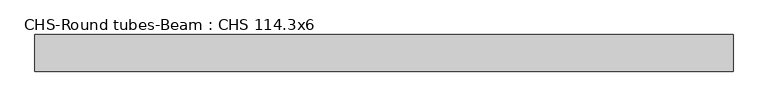
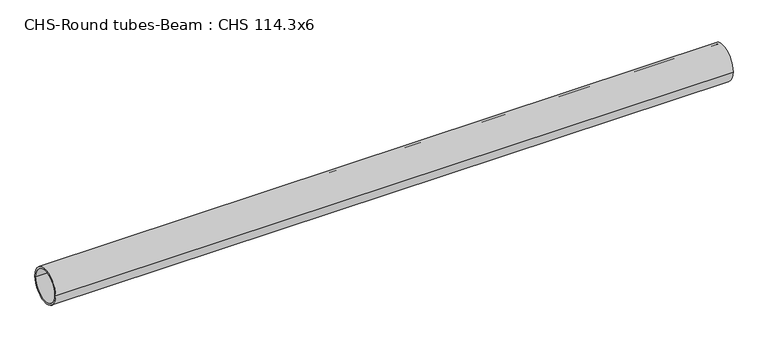
"""IFC4 building model written with IfcOpenShell, lengths in millimetres: beam geometry, CHS-Round tubes-Beam : CHS 114.3x6."""

from ifc_helpers import new_model, si_unit, point, frame, origin, origin_2d, place, context, project, spatial, circle_curve, trimmed, segment, composite_curve, outline, extrude, source, transform, mapped, element, save


def chs_round_tubes_beam_chs_114_3x6_157ab3cc(model_context):
    return source(origin(), model_context, "Body", "SweptSolid", [
        extrude(outline(composite_curve([segment(trimmed(circle_curve(origin_2d(), 57.15), [point((57.15, 0.0))], [point((-57.15, 0.0))], False, "CARTESIAN"), True, "CONTINUOUS"), segment(trimmed(circle_curve(origin_2d(), 57.15), [point((-57.15, 0.0))], [point((57.15, 0.0))], False, "CARTESIAN"), True, "CONTINUOUS")], self_intersect=False), holes=[composite_curve([segment(trimmed(circle_curve(origin_2d(), 51.15), [point((51.15, 0.0))], [point((-51.15, 0.0))], True, "CARTESIAN"), True, "CONTINUOUS"), segment(trimmed(circle_curve(origin_2d(), 51.15), [point((-51.15, 0.0))], [point((51.15, 0.0))], True, "CARTESIAN"), True, "CONTINUOUS")], self_intersect=False)]), frame((-1077.4712617, 0.0, 0.0), z_axis=(1.0, 0.0, 0.0), x_axis=(0.0, 1.0, 0.0)), (0.0, 0.0, 1.0), 2180.8297284),
    ])


if __name__ == "__main__":
    model = new_model("IFC4")
    model_context = context("Model", 3, world=origin())
    ifc_project = project(units=[si_unit("LENGTHUNIT", "METRE", prefix="MILLI")], contexts=[model_context])
    site = spatial("IfcSite", under=ifc_project)
    building = spatial("IfcBuilding", under=site)
    placement = place(None, origin())
    chs_round_tubes_beam_chs_114_3x6_shape = chs_round_tubes_beam_chs_114_3x6_157ab3cc(model_context)
    element("IfcBeam", 1, ObjectType="CHS-Round tubes-Beam : CHS 114.3x6", at=placement, inside=building, context=model_context, shape_type="MappedRepresentation", body=[
        mapped(chs_round_tubes_beam_chs_114_3x6_shape, transform((0.0, 0.0, 0.0), x_axis=(1.0, 0.0, 0.0), y_axis=(0.0, 1.0, 0.0), z_axis=(0.0, 0.0, 1.0))),
    ])
    save(model, "model.ifc")
